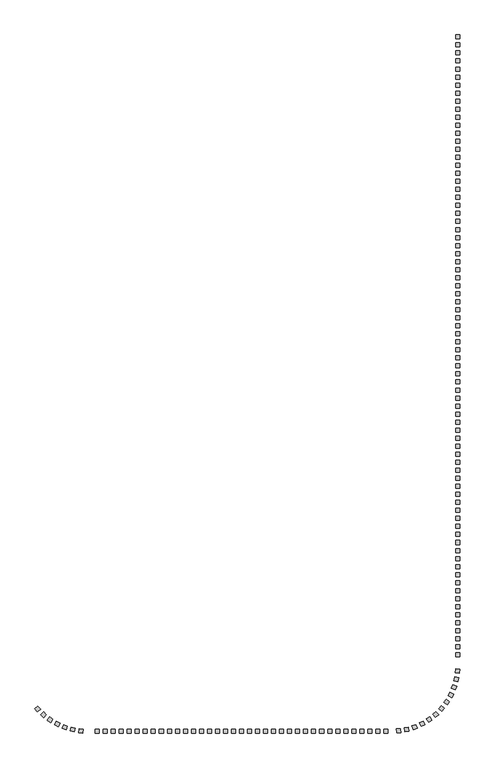
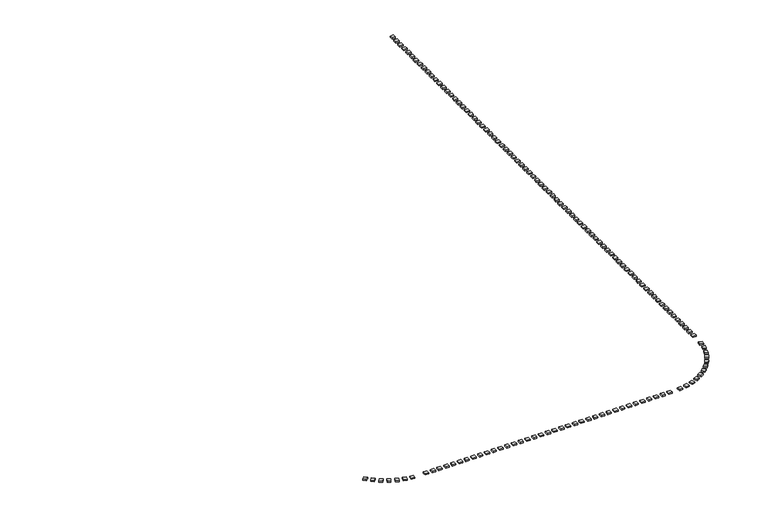
"""IFC4 building model written with IfcOpenShell, lengths in millimetres: railing geometry."""

from ifc_helpers import new_model, si_unit, origin, origin_with_axes, place, context, project, spatial, polyline, outline, extrude, source, transform, mapped, element, save


def railing_4d72da6a(model_context):
    return source(origin(), model_context, "Body", "SweptSolid", [
        extrude(outline(polyline([(-76155.2612553, -245402.5299212), (-75771.4895042, -245082.0314921), (-75450.9910751, -245465.8032432), (-75834.7628262, -245786.3016723), (-76155.2612553, -245402.5299212)])), origin_with_axes(), (0.0, 0.0, 1.0), 200.0),
        extrude(outline(polyline([(-75425.0709465, -246173.4120122), (-75084.2515665, -245807.5675778), (-74718.407132, -246148.3869578), (-75059.226512, -246514.2313922), (-75425.0709465, -246173.4120122)])), origin_with_axes(), (0.0, 0.0, 1.0), 200.0),
        extrude(outline(polyline([(-74604.4683063, -246847.2431426), (-74311.9196698, -246441.7615828), (-73906.43811, -246734.3102193), (-74198.9867465, -247139.7917791), (-74604.4683063, -246847.2431426)])), origin_with_axes(), (0.0, 0.0, 1.0), 200.0),
        extrude(outline(polyline([(-73706.2585644, -247413.5084029), (-73466.5457951, -246974.7171219), (-73027.7545142, -247214.4298912), (-73267.4672835, -247653.2211722), (-73706.2585644, -247413.5084029)])), origin_with_axes(), (0.0, 0.0, 1.0), 200.0),
        extrude(outline(polyline([(-72744.4579835, -247863.371413), (-72561.321719, -247398.1176021), (-72096.067908, -247581.2538666), (-72279.2041725, -248046.5076776), (-72744.4579835, -247863.371413)])), origin_with_axes(), (0.0, 0.0, 1.0), 200.0),
        extrude(outline(polyline([(-71734.0751399, -248189.8122113), (-71610.3731603, -247705.3560005), (-71125.9169494, -247829.0579801), (-71249.6189291, -248313.514191), (-71734.0751399, -248189.8122113)])), origin_with_axes(), (0.0, 0.0, 1.0), 200.0),
        extrude(outline(polyline([(-70690.87672, -248387.7367982), (-70628.5393533, -247891.6379646), (-70132.4405197, -247953.9753313), (-70194.7778864, -248450.0741649), (-70690.87672, -248387.7367982)])), origin_with_axes(), (0.0, 0.0, 1.0), 200.0),
        extrude(outline(polyline([(-68631.1414863, -248454.0566268), (-68631.1414863, -247954.0566268), (-68131.1414863, -247954.0566268), (-68131.1414863, -248454.0566268), (-68631.1414863, -248454.0566268)])), origin_with_axes(), (0.0, 0.0, 1.0), 200.0),
        extrude(outline(polyline([(-67631.1414863, -248454.0566268), (-67631.1414863, -247954.0566268), (-67131.1414863, -247954.0566268), (-67131.1414863, -248454.0566268), (-67631.1414863, -248454.0566268)])), origin_with_axes(), (0.0, 0.0, 1.0), 200.0),
        extrude(outline(polyline([(-66631.1414863, -248454.0566268), (-66631.1414863, -247954.0566268), (-66131.1414863, -247954.0566268), (-66131.1414863, -248454.0566268), (-66631.1414863, -248454.0566268)])), origin_with_axes(), (0.0, 0.0, 1.0), 200.0),
        extrude(outline(polyline([(-65631.1414863, -248454.0566268), (-65631.1414863, -247954.0566268), (-65131.1414863, -247954.0566268), (-65131.1414863, -248454.0566268), (-65631.1414863, -248454.0566268)])), origin_with_axes(), (0.0, 0.0, 1.0), 200.0),
        extrude(outline(polyline([(-64631.1414863, -248454.0566268), (-64631.1414863, -247954.0566268), (-64131.1414863, -247954.0566268), (-64131.1414863, -248454.0566268), (-64631.1414863, -248454.0566268)])), origin_with_axes(), (0.0, 0.0, 1.0), 200.0),
        extrude(outline(polyline([(-63631.1414863, -248454.0566268), (-63631.1414863, -247954.0566268), (-63131.1414863, -247954.0566268), (-63131.1414863, -248454.0566268), (-63631.1414863, -248454.0566268)])), origin_with_axes(), (0.0, 0.0, 1.0), 200.0),
        extrude(outline(polyline([(-62631.1414863, -248454.0566268), (-62631.1414863, -247954.0566268), (-62131.1414863, -247954.0566268), (-62131.1414863, -248454.0566268), (-62631.1414863, -248454.0566268)])), origin_with_axes(), (0.0, 0.0, 1.0), 200.0),
        extrude(outline(polyline([(-61631.1414863, -248454.0566268), (-61631.1414863, -247954.0566268), (-61131.1414863, -247954.0566268), (-61131.1414863, -248454.0566268), (-61631.1414863, -248454.0566268)])), origin_with_axes(), (0.0, 0.0, 1.0), 200.0),
        extrude(outline(polyline([(-60631.1414863, -248454.0566268), (-60631.1414863, -247954.0566268), (-60131.1414863, -247954.0566268), (-60131.1414863, -248454.0566268), (-60631.1414863, -248454.0566268)])), origin_with_axes(), (0.0, 0.0, 1.0), 200.0),
        extrude(outline(polyline([(-59631.1414863, -248454.0566268), (-59631.1414863, -247954.0566268), (-59131.1414863, -247954.0566268), (-59131.1414863, -248454.0566268), (-59631.1414863, -248454.0566268)])), origin_with_axes(), (0.0, 0.0, 1.0), 200.0),
        extrude(outline(polyline([(-58631.1414863, -248454.0566268), (-58631.1414863, -247954.0566268), (-58131.1414863, -247954.0566268), (-58131.1414863, -248454.0566268), (-58631.1414863, -248454.0566268)])), origin_with_axes(), (0.0, 0.0, 1.0), 200.0),
        extrude(outline(polyline([(-57631.1414863, -248454.0566268), (-57631.1414863, -247954.0566268), (-57131.1414863, -247954.0566268), (-57131.1414863, -248454.0566268), (-57631.1414863, -248454.0566268)])), origin_with_axes(), (0.0, 0.0, 1.0), 200.0),
        extrude(outline(polyline([(-56631.1414863, -248454.0566268), (-56631.1414863, -247954.0566268), (-56131.1414863, -247954.0566268), (-56131.1414863, -248454.0566268), (-56631.1414863, -248454.0566268)])), origin_with_axes(), (0.0, 0.0, 1.0), 200.0),
        extrude(outline(polyline([(-55631.1414863, -248454.0566268), (-55631.1414863, -247954.0566268), (-55131.1414863, -247954.0566268), (-55131.1414863, -248454.0566268), (-55631.1414863, -248454.0566268)])), origin_with_axes(), (0.0, 0.0, 1.0), 200.0),
        extrude(outline(polyline([(-54631.1414863, -248454.0566268), (-54631.1414863, -247954.0566268), (-54131.1414863, -247954.0566268), (-54131.1414863, -248454.0566268), (-54631.1414863, -248454.0566268)])), origin_with_axes(), (0.0, 0.0, 1.0), 200.0),
        extrude(outline(polyline([(-53631.1414863, -248454.0566268), (-53631.1414863, -247954.0566268), (-53131.1414863, -247954.0566268), (-53131.1414863, -248454.0566268), (-53631.1414863, -248454.0566268)])), origin_with_axes(), (0.0, 0.0, 1.0), 200.0),
        extrude(outline(polyline([(-52631.1414863, -248454.0566268), (-52631.1414863, -247954.0566268), (-52131.1414863, -247954.0566268), (-52131.1414863, -248454.0566268), (-52631.1414863, -248454.0566268)])), origin_with_axes(), (0.0, 0.0, 1.0), 200.0),
        extrude(outline(polyline([(-51631.1414863, -248454.0566268), (-51631.1414863, -247954.0566268), (-51131.1414863, -247954.0566268), (-51131.1414863, -248454.0566268), (-51631.1414863, -248454.0566268)])), origin_with_axes(), (0.0, 0.0, 1.0), 200.0),
        extrude(outline(polyline([(-50631.1414863, -248454.0566268), (-50631.1414863, -247954.0566268), (-50131.1414863, -247954.0566268), (-50131.1414863, -248454.0566268), (-50631.1414863, -248454.0566268)])), origin_with_axes(), (0.0, 0.0, 1.0), 200.0),
        extrude(outline(polyline([(-49631.1414863, -248454.0566268), (-49631.1414863, -247954.0566268), (-49131.1414863, -247954.0566268), (-49131.1414863, -248454.0566268), (-49631.1414863, -248454.0566268)])), origin_with_axes(), (0.0, 0.0, 1.0), 200.0),
        extrude(outline(polyline([(-48631.1414863, -248454.0566268), (-48631.1414863, -247954.0566268), (-48131.1414863, -247954.0566268), (-48131.1414863, -248454.0566268), (-48631.1414863, -248454.0566268)])), origin_with_axes(), (0.0, 0.0, 1.0), 200.0),
        extrude(outline(polyline([(-47631.1414863, -248454.0566268), (-47631.1414863, -247954.0566268), (-47131.1414863, -247954.0566268), (-47131.1414863, -248454.0566268), (-47631.1414863, -248454.0566268)])), origin_with_axes(), (0.0, 0.0, 1.0), 200.0),
        extrude(outline(polyline([(-46631.1414863, -248454.0566268), (-46631.1414863, -247954.0566268), (-46131.1414863, -247954.0566268), (-46131.1414863, -248454.0566268), (-46631.1414863, -248454.0566268)])), origin_with_axes(), (0.0, 0.0, 1.0), 200.0),
        extrude(outline(polyline([(-45631.1414863, -248454.0566268), (-45631.1414863, -247954.0566268), (-45131.1414863, -247954.0566268), (-45131.1414863, -248454.0566268), (-45631.1414863, -248454.0566268)])), origin_with_axes(), (0.0, 0.0, 1.0), 200.0),
        extrude(outline(polyline([(-44631.1414863, -248454.0566268), (-44631.1414863, -247954.0566268), (-44131.1414863, -247954.0566268), (-44131.1414863, -248454.0566268), (-44631.1414863, -248454.0566268)])), origin_with_axes(), (0.0, 0.0, 1.0), 200.0),
        extrude(outline(polyline([(-43631.1414863, -248454.0566268), (-43631.1414863, -247954.0566268), (-43131.1414863, -247954.0566268), (-43131.1414863, -248454.0566268), (-43631.1414863, -248454.0566268)])), origin_with_axes(), (0.0, 0.0, 1.0), 200.0),
        extrude(outline(polyline([(-42631.1414863, -248454.0566268), (-42631.1414863, -247954.0566268), (-42131.1414863, -247954.0566268), (-42131.1414863, -248454.0566268), (-42631.1414863, -248454.0566268)])), origin_with_axes(), (0.0, 0.0, 1.0), 200.0),
        extrude(outline(polyline([(-41631.1414863, -248454.0566268), (-41631.1414863, -247954.0566268), (-41131.1414863, -247954.0566268), (-41131.1414863, -248454.0566268), (-41631.1414863, -248454.0566268)])), origin_with_axes(), (0.0, 0.0, 1.0), 200.0),
        extrude(outline(polyline([(-40631.1414863, -248454.0566268), (-40631.1414863, -247954.0566268), (-40131.1414863, -247954.0566268), (-40131.1414863, -248454.0566268), (-40631.1414863, -248454.0566268)])), origin_with_axes(), (0.0, 0.0, 1.0), 200.0),
        extrude(outline(polyline([(-39631.1414863, -248454.0566268), (-39631.1414863, -247954.0566268), (-39131.1414863, -247954.0566268), (-39131.1414863, -248454.0566268), (-39631.1414863, -248454.0566268)])), origin_with_axes(), (0.0, 0.0, 1.0), 200.0),
        extrude(outline(polyline([(-38631.1414863, -248454.0566268), (-38631.1414863, -247954.0566268), (-38131.1414863, -247954.0566268), (-38131.1414863, -248454.0566268), (-38631.1414863, -248454.0566268)])), origin_with_axes(), (0.0, 0.0, 1.0), 200.0),
        extrude(outline(polyline([(-37631.1414863, -248454.0566268), (-37631.1414863, -247954.0566268), (-37131.1414863, -247954.0566268), (-37131.1414863, -248454.0566268), (-37631.1414863, -248454.0566268)])), origin_with_axes(), (0.0, 0.0, 1.0), 200.0),
        extrude(outline(polyline([(-36631.1414863, -248454.0566268), (-36631.1414863, -247954.0566268), (-36131.1414863, -247954.0566268), (-36131.1414863, -248454.0566268), (-36631.1414863, -248454.0566268)])), origin_with_axes(), (0.0, 0.0, 1.0), 200.0),
        extrude(outline(polyline([(-35631.1414863, -248454.0566268), (-35631.1414863, -247954.0566268), (-35131.1414863, -247954.0566268), (-35131.1414863, -248454.0566268), (-35631.1414863, -248454.0566268)])), origin_with_axes(), (0.0, 0.0, 1.0), 200.0),
        extrude(outline(polyline([(-34631.1414863, -248454.0566268), (-34631.1414863, -247954.0566268), (-34131.1414863, -247954.0566268), (-34131.1414863, -248454.0566268), (-34631.1414863, -248454.0566268)])), origin_with_axes(), (0.0, 0.0, 1.0), 200.0),
        extrude(outline(polyline([(-33631.1414863, -248454.0566268), (-33631.1414863, -247954.0566268), (-33131.1414863, -247954.0566268), (-33131.1414863, -248454.0566268), (-33631.1414863, -248454.0566268)])), origin_with_axes(), (0.0, 0.0, 1.0), 200.0),
        extrude(outline(polyline([(-32631.1414863, -248454.0566268), (-32631.1414863, -247954.0566268), (-32131.1414863, -247954.0566268), (-32131.1414863, -248454.0566268), (-32631.1414863, -248454.0566268)])), origin_with_axes(), (0.0, 0.0, 1.0), 200.0),
        extrude(outline(polyline([(-31029.8752721, -248432.7640129), (-31065.2438729, -247934.0165196), (-30566.4963796, -247898.6479188), (-30531.1277788, -248397.3954121), (-31029.8752721, -248432.7640129)])), origin_with_axes(), (0.0, 0.0, 1.0), 200.0),
        extrude(outline(polyline([(-29977.4859684, -248291.6476115), (-30074.7598224, -247801.201083), (-29584.3132938, -247703.927229), (-29487.0394398, -248194.3737575), (-29977.4859684, -248291.6476115)])), origin_with_axes(), (0.0, 0.0, 1.0), 200.0),
        extrude(outline(polyline([(-28950.9014059, -248020.4258913), (-29108.5625871, -247545.9335816), (-28634.0702774, -247388.2724004), (-28476.4090962, -247862.7647101), (-28950.9014059, -248020.4258913)])), origin_with_axes(), (0.0, 0.0, 1.0), 200.0),
        extrude(outline(polyline([(-27966.1410935, -247623.3311766), (-28181.7293519, -247172.1973796), (-27730.5955548, -246956.6091212), (-27515.0072964, -247407.7429182), (-27966.1410935, -247623.3311766)])), origin_with_axes(), (0.0, 0.0, 1.0), 200.0),
        extrude(outline(polyline([(-27038.5718864, -247106.5599977), (-27308.7230393, -246685.8245052), (-26887.9875469, -246415.6733523), (-26617.836394, -246836.4088447), (-27038.5718864, -247106.5599977)])), origin_with_axes(), (0.0, 0.0, 1.0), 200.0),
        extrude(outline(polyline([(-26182.6681919, -246478.1763958), (-26503.166621, -246094.4046447), (-26119.3948698, -245773.9062156), (-25798.8964408, -246157.6779667), (-26182.6681919, -246478.1763958)])), origin_with_axes(), (0.0, 0.0, 1.0), 200.0),
        extrude(outline(polyline([(-25411.7861008, -245747.986087), (-25777.6305353, -245407.166707), (-25436.8111553, -245041.3222725), (-25070.9667208, -245382.1416525), (-25411.7861008, -245747.986087)])), origin_with_axes(), (0.0, 0.0, 1.0), 200.0),
        extrude(outline(polyline([(-24737.9549705, -244927.3834468), (-25143.4365302, -244634.8348103), (-24850.8878938, -244229.3532506), (-24445.406334, -244521.901887), (-24737.9549705, -244927.3834468)])), origin_with_axes(), (0.0, 0.0, 1.0), 200.0),
        extrude(outline(polyline([(-24171.6897102, -244029.1737049), (-24610.4809911, -243789.4609356), (-24370.7682218, -243350.6696547), (-23931.9769409, -243590.382424), (-24171.6897102, -244029.1737049)])), origin_with_axes(), (0.0, 0.0, 1.0), 200.0),
        extrude(outline(polyline([(-23721.8267, -243067.373124), (-24187.080511, -242884.2368595), (-24003.9442464, -242418.9830485), (-23538.6904355, -242602.1193131), (-23721.8267, -243067.373124)])), origin_with_axes(), (0.0, 0.0, 1.0), 200.0),
        extrude(outline(polyline([(-23395.3859017, -242056.9902804), (-23879.8421126, -241933.2883008), (-23756.140133, -241448.83209), (-23271.6839221, -241572.5340696), (-23395.3859017, -242056.9902804)])), origin_with_axes(), (0.0, 0.0, 1.0), 200.0),
        extrude(outline(polyline([(-23197.4613148, -241013.7918606), (-23693.5601484, -240951.4544939), (-23631.2227817, -240455.3556603), (-23135.1239481, -240517.6930269), (-23197.4613148, -241013.7918606)])), origin_with_axes(), (0.0, 0.0, 1.0), 200.0),
        extrude(outline(polyline([(-23131.1414863, -238954.0566268), (-23631.1414863, -238954.0566268), (-23631.1414863, -238454.0566268), (-23131.1414863, -238454.0566268), (-23131.1414863, -238954.0566268)])), origin_with_axes(), (0.0, 0.0, 1.0), 200.0),
        extrude(outline(polyline([(-23131.1414863, -237954.0566268), (-23631.1414863, -237954.0566268), (-23631.1414863, -237454.0566268), (-23131.1414863, -237454.0566268), (-23131.1414863, -237954.0566268)])), origin_with_axes(), (0.0, 0.0, 1.0), 200.0),
        extrude(outline(polyline([(-23131.1414863, -236954.0566268), (-23631.1414863, -236954.0566268), (-23631.1414863, -236454.0566268), (-23131.1414863, -236454.0566268), (-23131.1414863, -236954.0566268)])), origin_with_axes(), (0.0, 0.0, 1.0), 200.0),
        extrude(outline(polyline([(-23131.1414863, -235954.0566268), (-23631.1414863, -235954.0566268), (-23631.1414863, -235454.0566268), (-23131.1414863, -235454.0566268), (-23131.1414863, -235954.0566268)])), origin_with_axes(), (0.0, 0.0, 1.0), 200.0),
        extrude(outline(polyline([(-23131.1414863, -234954.0566268), (-23631.1414863, -234954.0566268), (-23631.1414863, -234454.0566268), (-23131.1414863, -234454.0566268), (-23131.1414863, -234954.0566268)])), origin_with_axes(), (0.0, 0.0, 1.0), 200.0),
        extrude(outline(polyline([(-23131.1414863, -233954.0566268), (-23631.1414863, -233954.0566268), (-23631.1414863, -233454.0566268), (-23131.1414863, -233454.0566268), (-23131.1414863, -233954.0566268)])), origin_with_axes(), (0.0, 0.0, 1.0), 200.0),
        extrude(outline(polyline([(-23131.1414863, -232954.0566268), (-23631.1414863, -232954.0566268), (-23631.1414863, -232454.0566268), (-23131.1414863, -232454.0566268), (-23131.1414863, -232954.0566268)])), origin_with_axes(), (0.0, 0.0, 1.0), 200.0),
        extrude(outline(polyline([(-23131.1414863, -231954.0566268), (-23631.1414863, -231954.0566268), (-23631.1414863, -231454.0566268), (-23131.1414863, -231454.0566268), (-23131.1414863, -231954.0566268)])), origin_with_axes(), (0.0, 0.0, 1.0), 200.0),
        extrude(outline(polyline([(-23131.1414863, -230954.0566268), (-23631.1414863, -230954.0566268), (-23631.1414863, -230454.0566268), (-23131.1414863, -230454.0566268), (-23131.1414863, -230954.0566268)])), origin_with_axes(), (0.0, 0.0, 1.0), 200.0),
        extrude(outline(polyline([(-23131.1414863, -229954.0566268), (-23631.1414863, -229954.0566268), (-23631.1414863, -229454.0566268), (-23131.1414863, -229454.0566268), (-23131.1414863, -229954.0566268)])), origin_with_axes(), (0.0, 0.0, 1.0), 200.0),
        extrude(outline(polyline([(-23131.1414863, -228954.0566268), (-23631.1414863, -228954.0566268), (-23631.1414863, -228454.0566268), (-23131.1414863, -228454.0566268), (-23131.1414863, -228954.0566268)])), origin_with_axes(), (0.0, 0.0, 1.0), 200.0),
        extrude(outline(polyline([(-23131.1414863, -227954.0566268), (-23631.1414863, -227954.0566268), (-23631.1414863, -227454.0566268), (-23131.1414863, -227454.0566268), (-23131.1414863, -227954.0566268)])), origin_with_axes(), (0.0, 0.0, 1.0), 200.0),
        extrude(outline(polyline([(-23131.1414863, -226954.0566268), (-23631.1414863, -226954.0566268), (-23631.1414863, -226454.0566268), (-23131.1414863, -226454.0566268), (-23131.1414863, -226954.0566268)])), origin_with_axes(), (0.0, 0.0, 1.0), 200.0),
        extrude(outline(polyline([(-23131.1414863, -225954.0566268), (-23631.1414863, -225954.0566268), (-23631.1414863, -225454.0566268), (-23131.1414863, -225454.0566268), (-23131.1414863, -225954.0566268)])), origin_with_axes(), (0.0, 0.0, 1.0), 200.0),
        extrude(outline(polyline([(-23131.1414863, -224954.0566268), (-23631.1414863, -224954.0566268), (-23631.1414863, -224454.0566268), (-23131.1414863, -224454.0566268), (-23131.1414863, -224954.0566268)])), origin_with_axes(), (0.0, 0.0, 1.0), 200.0),
        extrude(outline(polyline([(-23131.1414863, -223954.0566268), (-23631.1414863, -223954.0566268), (-23631.1414863, -223454.0566268), (-23131.1414863, -223454.0566268), (-23131.1414863, -223954.0566268)])), origin_with_axes(), (0.0, 0.0, 1.0), 200.0),
        extrude(outline(polyline([(-23131.1414863, -222954.0566268), (-23631.1414863, -222954.0566268), (-23631.1414863, -222454.0566268), (-23131.1414863, -222454.0566268), (-23131.1414863, -222954.0566268)])), origin_with_axes(), (0.0, 0.0, 1.0), 200.0),
        extrude(outline(polyline([(-23131.1414863, -221954.0566268), (-23631.1414863, -221954.0566268), (-23631.1414863, -221454.0566268), (-23131.1414863, -221454.0566268), (-23131.1414863, -221954.0566268)])), origin_with_axes(), (0.0, 0.0, 1.0), 200.0),
        extrude(outline(polyline([(-23131.1414863, -220954.0566268), (-23631.1414863, -220954.0566268), (-23631.1414863, -220454.0566268), (-23131.1414863, -220454.0566268), (-23131.1414863, -220954.0566268)])), origin_with_axes(), (0.0, 0.0, 1.0), 200.0),
        extrude(outline(polyline([(-23131.1414863, -219954.0566268), (-23631.1414863, -219954.0566268), (-23631.1414863, -219454.0566268), (-23131.1414863, -219454.0566268), (-23131.1414863, -219954.0566268)])), origin_with_axes(), (0.0, 0.0, 1.0), 200.0),
        extrude(outline(polyline([(-23131.1414863, -218954.0566268), (-23631.1414863, -218954.0566268), (-23631.1414863, -218454.0566268), (-23131.1414863, -218454.0566268), (-23131.1414863, -218954.0566268)])), origin_with_axes(), (0.0, 0.0, 1.0), 200.0),
        extrude(outline(polyline([(-23131.1414863, -217954.0566268), (-23631.1414863, -217954.0566268), (-23631.1414863, -217454.0566268), (-23131.1414863, -217454.0566268), (-23131.1414863, -217954.0566268)])), origin_with_axes(), (0.0, 0.0, 1.0), 200.0),
        extrude(outline(polyline([(-23131.1414863, -216954.0566268), (-23631.1414863, -216954.0566268), (-23631.1414863, -216454.0566268), (-23131.1414863, -216454.0566268), (-23131.1414863, -216954.0566268)])), origin_with_axes(), (0.0, 0.0, 1.0), 200.0),
        extrude(outline(polyline([(-23131.1414863, -215954.0566268), (-23631.1414863, -215954.0566268), (-23631.1414863, -215454.0566268), (-23131.1414863, -215454.0566268), (-23131.1414863, -215954.0566268)])), origin_with_axes(), (0.0, 0.0, 1.0), 200.0),
        extrude(outline(polyline([(-23131.1414863, -214954.0566268), (-23631.1414863, -214954.0566268), (-23631.1414863, -214454.0566268), (-23131.1414863, -214454.0566268), (-23131.1414863, -214954.0566268)])), origin_with_axes(), (0.0, 0.0, 1.0), 200.0),
        extrude(outline(polyline([(-23131.1414863, -213954.0566268), (-23631.1414863, -213954.0566268), (-23631.1414863, -213454.0566268), (-23131.1414863, -213454.0566268), (-23131.1414863, -213954.0566268)])), origin_with_axes(), (0.0, 0.0, 1.0), 200.0),
        extrude(outline(polyline([(-23131.1414863, -212954.0566268), (-23631.1414863, -212954.0566268), (-23631.1414863, -212454.0566268), (-23131.1414863, -212454.0566268), (-23131.1414863, -212954.0566268)])), origin_with_axes(), (0.0, 0.0, 1.0), 200.0),
        extrude(outline(polyline([(-23131.1414863, -211954.0566268), (-23631.1414863, -211954.0566268), (-23631.1414863, -211454.0566268), (-23131.1414863, -211454.0566268), (-23131.1414863, -211954.0566268)])), origin_with_axes(), (0.0, 0.0, 1.0), 200.0),
        extrude(outline(polyline([(-23131.1414863, -210954.0566268), (-23631.1414863, -210954.0566268), (-23631.1414863, -210454.0566268), (-23131.1414863, -210454.0566268), (-23131.1414863, -210954.0566268)])), origin_with_axes(), (0.0, 0.0, 1.0), 200.0),
        extrude(outline(polyline([(-23131.1414863, -209954.0566268), (-23631.1414863, -209954.0566268), (-23631.1414863, -209454.0566268), (-23131.1414863, -209454.0566268), (-23131.1414863, -209954.0566268)])), origin_with_axes(), (0.0, 0.0, 1.0), 200.0),
        extrude(outline(polyline([(-23131.1414863, -208954.0566268), (-23631.1414863, -208954.0566268), (-23631.1414863, -208454.0566268), (-23131.1414863, -208454.0566268), (-23131.1414863, -208954.0566268)])), origin_with_axes(), (0.0, 0.0, 1.0), 200.0),
        extrude(outline(polyline([(-23131.1414863, -207954.0566268), (-23631.1414863, -207954.0566268), (-23631.1414863, -207454.0566268), (-23131.1414863, -207454.0566268), (-23131.1414863, -207954.0566268)])), origin_with_axes(), (0.0, 0.0, 1.0), 200.0),
        extrude(outline(polyline([(-23131.1414863, -206954.0566268), (-23631.1414863, -206954.0566268), (-23631.1414863, -206454.0566268), (-23131.1414863, -206454.0566268), (-23131.1414863, -206954.0566268)])), origin_with_axes(), (0.0, 0.0, 1.0), 200.0),
        extrude(outline(polyline([(-23131.1414863, -205954.0566268), (-23631.1414863, -205954.0566268), (-23631.1414863, -205454.0566268), (-23131.1414863, -205454.0566268), (-23131.1414863, -205954.0566268)])), origin_with_axes(), (0.0, 0.0, 1.0), 200.0),
        extrude(outline(polyline([(-23131.1414863, -204954.0566268), (-23631.1414863, -204954.0566268), (-23631.1414863, -204454.0566268), (-23131.1414863, -204454.0566268), (-23131.1414863, -204954.0566268)])), origin_with_axes(), (0.0, 0.0, 1.0), 200.0),
        extrude(outline(polyline([(-23131.1414863, -203954.0566268), (-23631.1414863, -203954.0566268), (-23631.1414863, -203454.0566268), (-23131.1414863, -203454.0566268), (-23131.1414863, -203954.0566268)])), origin_with_axes(), (0.0, 0.0, 1.0), 200.0),
        extrude(outline(polyline([(-23131.1414863, -202954.0566268), (-23631.1414863, -202954.0566268), (-23631.1414863, -202454.0566268), (-23131.1414863, -202454.0566268), (-23131.1414863, -202954.0566268)])), origin_with_axes(), (0.0, 0.0, 1.0), 200.0),
        extrude(outline(polyline([(-23131.1414863, -201954.0566268), (-23631.1414863, -201954.0566268), (-23631.1414863, -201454.0566268), (-23131.1414863, -201454.0566268), (-23131.1414863, -201954.0566268)])), origin_with_axes(), (0.0, 0.0, 1.0), 200.0),
        extrude(outline(polyline([(-23131.1414863, -200954.0566268), (-23631.1414863, -200954.0566268), (-23631.1414863, -200454.0566268), (-23131.1414863, -200454.0566268), (-23131.1414863, -200954.0566268)])), origin_with_axes(), (0.0, 0.0, 1.0), 200.0),
        extrude(outline(polyline([(-23131.1414863, -199954.0566268), (-23631.1414863, -199954.0566268), (-23631.1414863, -199454.0566268), (-23131.1414863, -199454.0566268), (-23131.1414863, -199954.0566268)])), origin_with_axes(), (0.0, 0.0, 1.0), 200.0),
        extrude(outline(polyline([(-23131.1414863, -198954.0566268), (-23631.1414863, -198954.0566268), (-23631.1414863, -198454.0566268), (-23131.1414863, -198454.0566268), (-23131.1414863, -198954.0566268)])), origin_with_axes(), (0.0, 0.0, 1.0), 200.0),
        extrude(outline(polyline([(-23131.1414863, -197954.0566268), (-23631.1414863, -197954.0566268), (-23631.1414863, -197454.0566268), (-23131.1414863, -197454.0566268), (-23131.1414863, -197954.0566268)])), origin_with_axes(), (0.0, 0.0, 1.0), 200.0),
        extrude(outline(polyline([(-23131.1414863, -196954.0566268), (-23631.1414863, -196954.0566268), (-23631.1414863, -196454.0566268), (-23131.1414863, -196454.0566268), (-23131.1414863, -196954.0566268)])), origin_with_axes(), (0.0, 0.0, 1.0), 200.0),
        extrude(outline(polyline([(-23131.1414863, -195954.0566268), (-23631.1414863, -195954.0566268), (-23631.1414863, -195454.0566268), (-23131.1414863, -195454.0566268), (-23131.1414863, -195954.0566268)])), origin_with_axes(), (0.0, 0.0, 1.0), 200.0),
        extrude(outline(polyline([(-23131.1414863, -194954.0566268), (-23631.1414863, -194954.0566268), (-23631.1414863, -194454.0566268), (-23131.1414863, -194454.0566268), (-23131.1414863, -194954.0566268)])), origin_with_axes(), (0.0, 0.0, 1.0), 200.0),
        extrude(outline(polyline([(-23131.1414863, -193954.0566268), (-23631.1414863, -193954.0566268), (-23631.1414863, -193454.0566268), (-23131.1414863, -193454.0566268), (-23131.1414863, -193954.0566268)])), origin_with_axes(), (0.0, 0.0, 1.0), 200.0),
        extrude(outline(polyline([(-23131.1414863, -192954.0566268), (-23631.1414863, -192954.0566268), (-23631.1414863, -192454.0566268), (-23131.1414863, -192454.0566268), (-23131.1414863, -192954.0566268)])), origin_with_axes(), (0.0, 0.0, 1.0), 200.0),
        extrude(outline(polyline([(-23131.1414863, -191954.0566268), (-23631.1414863, -191954.0566268), (-23631.1414863, -191454.0566268), (-23131.1414863, -191454.0566268), (-23131.1414863, -191954.0566268)])), origin_with_axes(), (0.0, 0.0, 1.0), 200.0),
        extrude(outline(polyline([(-23131.1414863, -190954.0566268), (-23631.1414863, -190954.0566268), (-23631.1414863, -190454.0566268), (-23131.1414863, -190454.0566268), (-23131.1414863, -190954.0566268)])), origin_with_axes(), (0.0, 0.0, 1.0), 200.0),
        extrude(outline(polyline([(-23131.1414863, -189954.0566268), (-23631.1414863, -189954.0566268), (-23631.1414863, -189454.0566268), (-23131.1414863, -189454.0566268), (-23131.1414863, -189954.0566268)])), origin_with_axes(), (0.0, 0.0, 1.0), 200.0),
        extrude(outline(polyline([(-23131.1414863, -188954.0566268), (-23631.1414863, -188954.0566268), (-23631.1414863, -188454.0566268), (-23131.1414863, -188454.0566268), (-23131.1414863, -188954.0566268)])), origin_with_axes(), (0.0, 0.0, 1.0), 200.0),
        extrude(outline(polyline([(-23131.1414863, -187954.0566268), (-23631.1414863, -187954.0566268), (-23631.1414863, -187454.0566268), (-23131.1414863, -187454.0566268), (-23131.1414863, -187954.0566268)])), origin_with_axes(), (0.0, 0.0, 1.0), 200.0),
        extrude(outline(polyline([(-23131.1414863, -186954.0566268), (-23631.1414863, -186954.0566268), (-23631.1414863, -186454.0566268), (-23131.1414863, -186454.0566268), (-23131.1414863, -186954.0566268)])), origin_with_axes(), (0.0, 0.0, 1.0), 200.0),
        extrude(outline(polyline([(-23131.1414863, -185954.0566268), (-23631.1414863, -185954.0566268), (-23631.1414863, -185454.0566268), (-23131.1414863, -185454.0566268), (-23131.1414863, -185954.0566268)])), origin_with_axes(), (0.0, 0.0, 1.0), 200.0),
        extrude(outline(polyline([(-23131.1414863, -184954.0566268), (-23631.1414863, -184954.0566268), (-23631.1414863, -184454.0566268), (-23131.1414863, -184454.0566268), (-23131.1414863, -184954.0566268)])), origin_with_axes(), (0.0, 0.0, 1.0), 200.0),
        extrude(outline(polyline([(-23131.1414863, -183954.0566268), (-23631.1414863, -183954.0566268), (-23631.1414863, -183454.0566268), (-23131.1414863, -183454.0566268), (-23131.1414863, -183954.0566268)])), origin_with_axes(), (0.0, 0.0, 1.0), 200.0),
        extrude(outline(polyline([(-23131.1414863, -182954.0566268), (-23631.1414863, -182954.0566268), (-23631.1414863, -182454.0566268), (-23131.1414863, -182454.0566268), (-23131.1414863, -182954.0566268)])), origin_with_axes(), (0.0, 0.0, 1.0), 200.0),
        extrude(outline(polyline([(-23131.1414863, -181954.0566268), (-23631.1414863, -181954.0566268), (-23631.1414863, -181454.0566268), (-23131.1414863, -181454.0566268), (-23131.1414863, -181954.0566268)])), origin_with_axes(), (0.0, 0.0, 1.0), 200.0),
        extrude(outline(polyline([(-23131.1414863, -180954.0566268), (-23631.1414863, -180954.0566268), (-23631.1414863, -180454.0566268), (-23131.1414863, -180454.0566268), (-23131.1414863, -180954.0566268)])), origin_with_axes(), (0.0, 0.0, 1.0), 200.0),
        extrude(outline(polyline([(-23131.1414863, -179954.0566268), (-23631.1414863, -179954.0566268), (-23631.1414863, -179454.0566268), (-23131.1414863, -179454.0566268), (-23131.1414863, -179954.0566268)])), origin_with_axes(), (0.0, 0.0, 1.0), 200.0),
        extrude(outline(polyline([(-23131.1414863, -178954.0566268), (-23631.1414863, -178954.0566268), (-23631.1414863, -178454.0566268), (-23131.1414863, -178454.0566268), (-23131.1414863, -178954.0566268)])), origin_with_axes(), (0.0, 0.0, 1.0), 200.0),
        extrude(outline(polyline([(-23131.1414863, -177954.0566268), (-23631.1414863, -177954.0566268), (-23631.1414863, -177454.0566268), (-23131.1414863, -177454.0566268), (-23131.1414863, -177954.0566268)])), origin_with_axes(), (0.0, 0.0, 1.0), 200.0),
        extrude(outline(polyline([(-23131.1414863, -176954.0566268), (-23631.1414863, -176954.0566268), (-23631.1414863, -176454.0566268), (-23131.1414863, -176454.0566268), (-23131.1414863, -176954.0566268)])), origin_with_axes(), (0.0, 0.0, 1.0), 200.0),
        extrude(outline(polyline([(-23131.1414863, -175954.0566268), (-23631.1414863, -175954.0566268), (-23631.1414863, -175454.0566268), (-23131.1414863, -175454.0566268), (-23131.1414863, -175954.0566268)])), origin_with_axes(), (0.0, 0.0, 1.0), 200.0),
        extrude(outline(polyline([(-23131.1414863, -174954.0566268), (-23631.1414863, -174954.0566268), (-23631.1414863, -174454.0566268), (-23131.1414863, -174454.0566268), (-23131.1414863, -174954.0566268)])), origin_with_axes(), (0.0, 0.0, 1.0), 200.0),
        extrude(outline(polyline([(-23131.1414863, -173954.0566268), (-23631.1414863, -173954.0566268), (-23631.1414863, -173454.0566268), (-23131.1414863, -173454.0566268), (-23131.1414863, -173954.0566268)])), origin_with_axes(), (0.0, 0.0, 1.0), 200.0),
        extrude(outline(polyline([(-23131.1414863, -172954.0566268), (-23631.1414863, -172954.0566268), (-23631.1414863, -172454.0566268), (-23131.1414863, -172454.0566268), (-23131.1414863, -172954.0566268)])), origin_with_axes(), (0.0, 0.0, 1.0), 200.0),
        extrude(outline(polyline([(-23131.1414863, -171954.0566268), (-23631.1414863, -171954.0566268), (-23631.1414863, -171454.0566268), (-23131.1414863, -171454.0566268), (-23131.1414863, -171954.0566268)])), origin_with_axes(), (0.0, 0.0, 1.0), 200.0),
        extrude(outline(polyline([(-23131.1414863, -170954.0566268), (-23631.1414863, -170954.0566268), (-23631.1414863, -170454.0566268), (-23131.1414863, -170454.0566268), (-23131.1414863, -170954.0566268)])), origin_with_axes(), (0.0, 0.0, 1.0), 200.0),
        extrude(outline(polyline([(-23131.1414863, -169954.0566268), (-23631.1414863, -169954.0566268), (-23631.1414863, -169454.0566268), (-23131.1414863, -169454.0566268), (-23131.1414863, -169954.0566268)])), origin_with_axes(), (0.0, 0.0, 1.0), 200.0),
        extrude(outline(polyline([(-23131.1414863, -168954.0566268), (-23631.1414863, -168954.0566268), (-23631.1414863, -168454.0566268), (-23131.1414863, -168454.0566268), (-23131.1414863, -168954.0566268)])), origin_with_axes(), (0.0, 0.0, 1.0), 200.0),
        extrude(outline(polyline([(-23131.1414863, -167954.0566268), (-23631.1414863, -167954.0566268), (-23631.1414863, -167454.0566268), (-23131.1414863, -167454.0566268), (-23131.1414863, -167954.0566268)])), origin_with_axes(), (0.0, 0.0, 1.0), 200.0),
        extrude(outline(polyline([(-23131.1414863, -166954.0566268), (-23631.1414863, -166954.0566268), (-23631.1414863, -166454.0566268), (-23131.1414863, -166454.0566268), (-23131.1414863, -166954.0566268)])), origin_with_axes(), (0.0, 0.0, 1.0), 200.0),
        extrude(outline(polyline([(-23131.1414863, -165954.0566268), (-23631.1414863, -165954.0566268), (-23631.1414863, -165454.0566268), (-23131.1414863, -165454.0566268), (-23131.1414863, -165954.0566268)])), origin_with_axes(), (0.0, 0.0, 1.0), 200.0),
        extrude(outline(polyline([(-23131.1414863, -164954.0566268), (-23631.1414863, -164954.0566268), (-23631.1414863, -164454.0566268), (-23131.1414863, -164454.0566268), (-23131.1414863, -164954.0566268)])), origin_with_axes(), (0.0, 0.0, 1.0), 200.0),
        extrude(outline(polyline([(-23131.1414863, -163954.0566268), (-23631.1414863, -163954.0566268), (-23631.1414863, -163454.0566268), (-23131.1414863, -163454.0566268), (-23131.1414863, -163954.0566268)])), origin_with_axes(), (0.0, 0.0, 1.0), 200.0),
        extrude(outline(polyline([(-23131.1414863, -162954.0566268), (-23631.1414863, -162954.0566268), (-23631.1414863, -162454.0566268), (-23131.1414863, -162454.0566268), (-23131.1414863, -162954.0566268)])), origin_with_axes(), (0.0, 0.0, 1.0), 200.0),
        extrude(outline(polyline([(-23131.1414863, -161954.0566268), (-23631.1414863, -161954.0566268), (-23631.1414863, -161454.0566268), (-23131.1414863, -161454.0566268), (-23131.1414863, -161954.0566268)])), origin_with_axes(), (0.0, 0.0, 1.0), 200.0),
    ])


if __name__ == "__main__":
    model = new_model("IFC4")
    model_context = context("Model", 3, world=origin())
    ifc_project = project(units=[si_unit("LENGTHUNIT", "METRE", prefix="MILLI")], contexts=[model_context])
    site = spatial("IfcSite", under=ifc_project)
    building = spatial("IfcBuilding", under=site)
    placement = place(None, origin())
    railing_shape = railing_4d72da6a(model_context)
    element("IfcRailing", 1, at=placement, inside=building, context=model_context, shape_type="MappedRepresentation", body=[
        mapped(railing_shape, transform((0.0, 0.0, 0.0), x_axis=(1.0, 0.0, 0.0), y_axis=(0.0, 1.0, 0.0), z_axis=(0.0, 0.0, 1.0))),
    ])
    save(model, "model.ifc")
